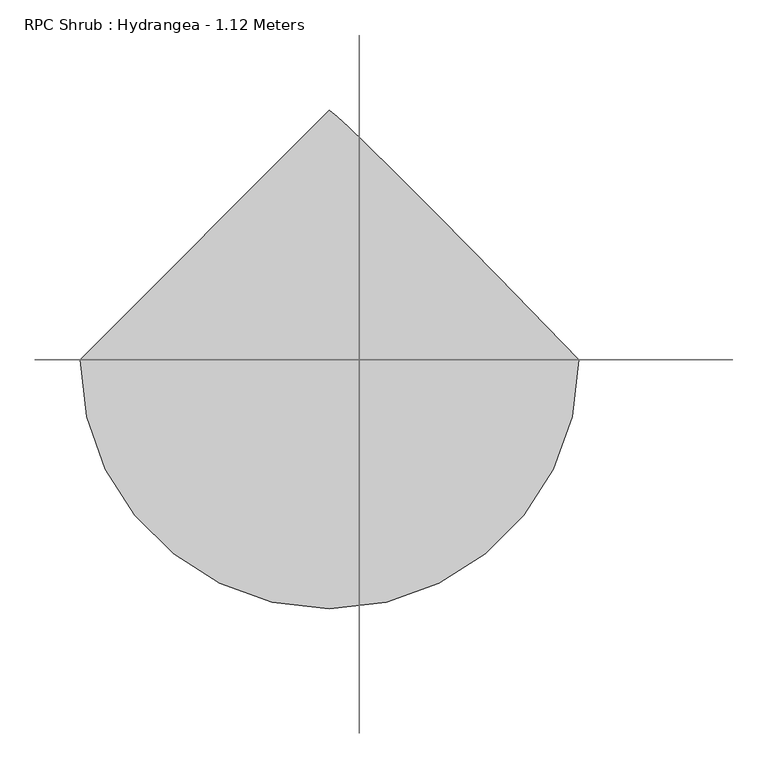
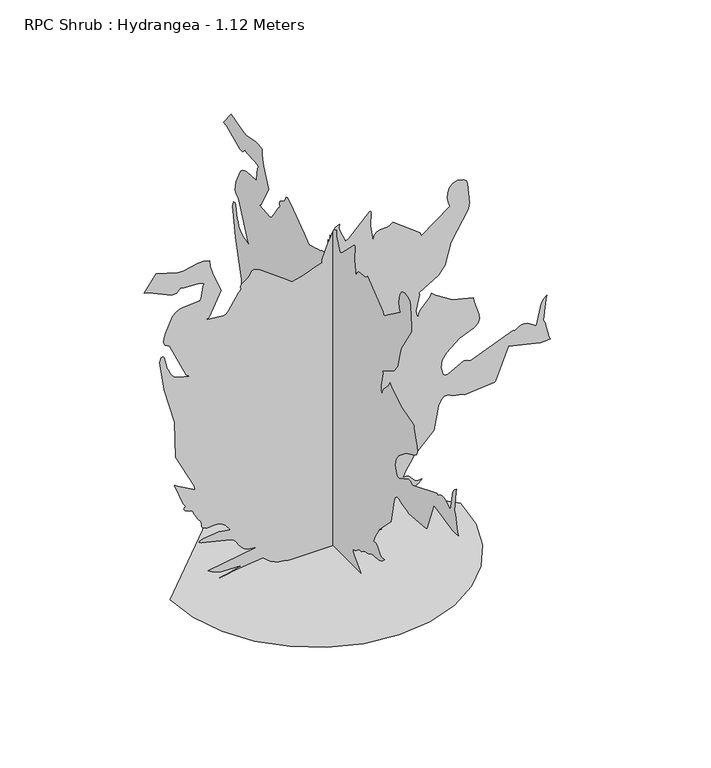
"""IFC4 building model written with IfcOpenShell, lengths in millimetres: geographic element geometry, RPC Shrub : Hydrangea - 1.12 Meters."""

from ifc_helpers import new_model, si_unit, origin, place, context, project, spatial, triangles, source, transform, mapped, element, save


def rpc_shrub_hydrangea_1_12_meters_f2bedae6(model_context):
    return source(origin(), model_context, "Body", "Tessellation", [
        triangles([(-540.6204168, 0.0, 3.52e-05), (-526.3263039, -123.8741976, 3.52e-05), (-485.6244641, -237.6331877, 3.52e-05), (-421.7677877, -338.0181396, 3.52e-05), (-338.0181396, -421.7677877, 3.52e-05), (-237.632897, -485.6244641, 3.52e-05), (-123.8741976, -526.3263039, 3.52e-05), (2.36e-05, -540.6204168, 3.52e-05), (123.8744883, -526.3263039, 3.52e-05), (237.6331877, -485.6244641, 3.52e-05), (338.0181396, -421.7677877, 3.52e-05), (421.7677877, -338.0181396, 3.52e-05), (485.6244641, -237.632897, 3.52e-05), (526.3263039, -123.8741976, 3.52e-05), (540.6204168, 4.73e-05, 3.52e-05), (364.9311044, 180.2144905, 3.52e-05), (234.6827864, 312.8985609, 3.52e-05), (142.3040774, 405.9727489, 3.52e-05), (80.2201398, 467.3623884, 3.52e-05), (40.8572763, 504.9826575, 3.52e-05), (16.6416748, 526.7635955, 3.52e-05), (-7.09e-05, 540.6204168, 3.52e-05), (65.1732158, -439.4300817, 1040.6778299), (65.1732158, -505.839473, 1149.2781778), (65.1732158, -508.3508386, 1172.3709543), (65.1732158, -502.1492549, 1249.3753384), (65.1732158, -497.3510376, 1261.5421829), (65.1732158, -488.8005784, 1269.5874767), (65.1732158, -464.4373853, 1274.9144772), (65.1732158, -446.7750913, 1269.5076851), (65.1732158, -435.1755086, 1256.262418), (65.1732158, -429.0034653, 1238.0654182), (65.1732158, -427.617794, 1217.8119307), (65.1732158, -430.3832502, 1198.3886976), (65.1732158, -436.6616461, 1182.6882751), (65.1732158, -330.2122207, 1104.4813482), (65.1732158, -323.8953824, 1117.6497305), (65.1732158, -223.3544445, 1195.1800999), (65.1732158, -213.4629152, 1185.7728252), (65.1732158, -201.6021748, 1182.4873426), (65.1732158, -176.2166967, 1181.9082355), (65.1732158, -164.8153759, 1178.4189137), (65.1732158, -155.6884802, 1168.6689274), (65.1732158, -149.8984539, 1149.558902), (65.1732158, -139.9111911, 1207.4237566), (65.1732158, -141.8632612, 1265.1851292), (65.1732158, -141.1299394, 1266.5944908), (65.1732158, -139.9575818, 1267.0376324), (65.1732158, -138.5311245, 1266.7037865), (65.1732158, -137.0375929, 1265.7849472), (65.1732158, -59.3438886, 1189.412792), (65.1732158, -46.7072826, 1181.0603222), (65.1732158, -24.8836851, 1232.5462784), (65.1732158, -23.1515211, 1243.4367474), (65.1732158, -23.897072, 1256.5519352), (65.1732158, -10.6973292, 1249.8155731), (65.1732158, -0.6288019, 1237.3385731), (65.1732158, 15.357746, 1200.1909859), (65.1732158, 17.4707212, 1199.4789654), (65.1732158, 18.7374839, 1210.3871658), (65.1732158, 18.4124537, 1198.2233007), (65.1732158, 40.6339115, 1140.1427616), (65.1732158, 40.3092084, 1127.9788965), (65.1732158, 54.5563402, 1123.2604345), (65.1732158, 69.6218814, 1117.8181795), (65.1732158, 85.366083, 1112.0272539), (65.1732158, 101.6512626, 1106.265905), (65.1732158, 118.3379621, 1100.9122347), (65.1732158, 135.2882084, 1096.338604), (65.1732158, 152.3631382, 1092.9231148), (65.1732158, 184.752095, 1118.1816021), (65.1732158, 272.5438475, 1181.3084902), (65.1732158, 293.760176, 1190.8250605), (65.1732158, 303.2431001, 1186.9664297), (65.1732158, 307.6483363, 1173.4375317), (65.1732158, 315.1794537, 1164.8782431), (65.1732158, 339.8706428, 1148.908869), (65.1732158, 343.2447464, 1140.1072987), (65.1732158, 341.4129178, 1126.2061123), (65.1732158, 350.7729206, 1117.7945618), (65.1732158, 388.0209377, 1060.6239962), (65.1732158, 397.7650377, 1051.0453657), (65.1732158, 407.8755034, 1047.5915068), (65.1732158, 471.4219153, 1054.5139767), (65.1732158, 461.8994225, 1061.2149485), (65.1732158, 415.616419, 1151.0538689), (65.1732158, 445.9537024, 1222.8169304), (65.1732158, 456.9889664, 1260.0678543), (65.1732158, 458.3864465, 1282.6228729), (65.1732158, 481.3374075, 1288.2158455), (65.1732158, 501.6351511, 1287.5510605), (65.1732158, 557.2840799, 1274.9883099), (65.1732158, 577.6438837, 1276.2735512), (65.1732158, 658.2498648, 1300.0016087), (65.1732158, 703.8740421, 1239.1733448), (65.1732158, 686.8026278, 1236.7269825), (65.1732158, 600.1723051, 1196.0723419), (65.1732158, 581.484783, 1198.1493954), (65.1732158, 567.0075053, 1213.1053139), (65.1732158, 554.7343082, 1208.9275892), (65.1732158, 501.6706141, 1207.2169378), (65.1732158, 490.0385479, 1204.6907839), (65.1732158, 480.1112469, 1198.9825567), (65.1732158, 484.3717063, 1190.9935095), (65.1732158, 491.0549103, 1145.059104), (65.1732158, 495.3183128, 1137.0670773), (65.1732158, 556.2293115, 1133.8318096), (65.1732158, 570.6622968, 1130.3454672), (65.1732158, 584.1793496, 1123.3638439), (65.1732158, 596.4732213, 1111.6785833), (65.1732158, 623.9475981, 1054.2716949), (65.1732158, 629.014658, 1035.7496424), (65.1732158, 629.8153358, 1019.4346498), (65.1732158, 624.5798269, 1007.2648258), (65.1732158, 608.8705024, 997.3021345), (65.1732158, 547.0849932, 864.2322046), (65.1732158, 534.0820078, 854.174897), (65.1732158, 576.3438904, 864.2735538), (65.1732158, 588.8947958, 869.8576607), (65.1732158, 599.4395737, 877.9028818), (65.1732158, 607.2366268, 889.2188335), (65.1732158, 611.5443581, 904.6178936), (65.1732158, 617.8345991, 912.807946), (65.1732158, 627.9273697, 959.7114058), (65.1732158, 632.5866783, 965.3221098), (65.1732158, 640.4635231, 964.6307276), (65.1732158, 646.3282814, 946.0436354), (65.1732158, 629.0766455, 833.5107513), (65.1732158, 590.2568493, 691.7190428), (65.1732158, 585.2015983, 553.4963387), (65.1732158, 516.52018, 417.6432212), (65.1732158, 513.0958614, 400.1434536), (65.1732158, 578.4622931, 435.9259715), (65.1732158, 588.7323057, 444.0569069), (65.1732158, 590.1091112, 441.8764441), (65.1732158, 557.5765766, 359.8522356), (65.1732158, 548.541554, 346.8404208), (65.1732158, 554.6722481, 341.2976995), (65.1732158, 554.6574961, 335.90268), (65.1732158, 550.2640869, 330.9508384), (65.1732158, 535.4115415, 323.5999426), (65.1732158, 528.4801695, 321.8006338), (65.1732158, 524.2374415, 321.6558389), (65.1732158, 521.084945, 315.0435608), (65.1732158, 518.1422104, 308.6853733), (65.1732158, 515.1965326, 302.4069593), (65.1732158, 512.0322272, 296.0340016), (65.1732158, 508.4394596, 289.3939455), (65.1732158, 504.2085769, 282.3092216), (65.1732158, 499.1208424, 274.6076024), (65.1732158, 493.123098, 269.1862945), (65.1732158, 490.0030849, 263.515347), (65.1732158, 488.8124236, 257.8358063), (65.1732158, 488.608548, 252.3885007), (65.1732158, 488.4430784, 247.4142222), (65.1732158, 487.3735579, 243.1537628), (65.1732158, 484.4544411, 239.8482233), (65.1732158, 470.340586, 233.9562683), (65.1732158, 457.1159935, 233.5795471), (65.1732158, 444.0893904, 235.3460817), (65.1732158, 430.5752807, 235.8835125), (65.1732158, 415.8763959, 231.8198253), (65.1732158, 399.3073128, 219.7826966), (65.1732158, 380.1795559, 196.3995127), (65.1732158, 423.0973214, 203.3497971), (65.1732158, 483.0155754, 196.5351149), (65.1732158, 494.0862659, 192.1384538), (65.1732158, 497.4899099, 187.7095817), (65.1732158, 491.5749003, 184.2309059), (65.1732158, 380.1795559, 157.2954679), (65.1732158, 368.0009025, 149.5238129), (65.1732158, 358.7413296, 138.6017325), (65.1732158, 350.3592831, 126.1740118), (65.1732158, 340.8013272, 113.8848636), (65.1732158, 328.0169695, 103.3790823), (65.1732158, 309.964692, 96.3008625), (65.1732158, 284.5907321, 94.2944351), (65.1732158, 464.9041809, 63.8803032), (65.1732158, 450.3146281, 54.0298371), (65.1732158, 417.1882344, 43.5373498), (65.1732158, 338.9015522, 42.1558026), (65.1732158, 393.0643435, 27.8340977), (65.1732158, 406.4455035, 24.7944577), (65.1732158, 421.4546165, 21.517566), (65.1732158, 413.6723153, 22.630014), (65.1732158, 393.7822866, 26.1255106), (65.1732158, 365.997718, 30.9976515), (65.1732158, 260.2452523, 44.1276662), (65.1732158, 246.0725708, 30.42181), (65.1732158, 231.2171004, 20.1321787), (65.1732158, 215.7928784, 12.6894632), (65.1732158, 199.9136514, 7.5241728), (65.1732158, 183.6928755, 4.0672617), (65.1732158, 167.2449151, 1.7489424), (65.1732158, 150.6828901, 0.0), (65.1732158, -181.8099418, 9.9e-06), (65.1732158, -176.4167208, 8.01383), (65.1732158, -135.2876179, 45.2725546), (65.1732158, -129.6925924, 55.0562461), (65.1732158, -129.8033869, 64.6948747), (65.1732158, -138.8147555, 66.1612141), (65.1732158, -145.6616304, 69.2516732), (65.1732158, -151.4540276, 73.420246), (65.1732158, -157.3022625, 78.1206404), (65.1732158, -164.3172413, 82.8065553), (65.1732158, -173.6084075, 86.9316941), (65.1732158, -186.2869759, 89.9497694), (65.1732158, -196.5413282, 97.6537504), (65.1732158, -205.3473677, 101.8433021), (65.1732158, -228.8700053, 107.3836707), (65.1732158, -237.675736, 111.5732224), (65.1732158, -247.9300883, 119.2775032), (65.1732158, -295.9305923, 123.9613561), (65.1732158, -308.6440241, 128.014697), (65.1732158, -320.7990234, 135.2562972), (65.1732158, -331.9760665, 146.7048807), (65.1732158, -314.9135542, 146.2368769), (65.1732158, -303.6419493, 150.6935271), (65.1732158, -283.8925734, 173.6113688), (65.1732158, -275.1086982, 177.7669473), (65.1732158, -261.7795518, 176.8474903), (65.1732158, -272.8765307, 200.8422648), (65.1732158, -286.4024674, 224.8119318), (65.1732158, -301.9401455, 248.1159418), (65.1732158, -375.8334186, 321.856735), (65.1732158, -393.2297768, 412.5111943), (65.1732158, -402.0107088, 431.5650822), (65.1732158, -414.3755064, 442.9400783), (65.1732158, -431.2311999, 443.5162059), (65.1732158, -437.5657697, 438.0562194), (65.1732158, -445.4514439, 434.9421289), (65.1732158, -482.0701389, 428.1555156), (65.1732158, -489.8849236, 423.4193584), (65.1732158, -601.0114254, 432.8148242), (65.1732158, -606.1109688, 435.3675754), (65.1732158, -653.29508, 555.6324729), (65.1732158, -771.5715815, 528.9794849), (65.1732158, -794.4722912, 528.4004142), (65.1732158, -810.3205244, 530.9561085), (65.1732158, -804.3168938, 540.8479102), (65.1732158, -790.2561968, 603.6173347), (65.1732158, -784.2525661, 613.5091364), (65.1732158, -792.8975327, 692.0174257), (65.1732158, -797.288035, 705.8388205), (65.1732158, -785.1152315, 695.2880836), (65.1732158, -776.3609694, 682.9233587), (65.1732158, -758.1845352, 600.4736675), (65.1732158, -725.2856712, 621.1495857), (65.1732158, -714.170652, 623.8412092), (65.1732158, -702.6774582, 623.2266392), (65.1732158, -690.6170025, 618.5761963), (65.1732158, -677.8031044, 609.1629991), (65.1732158, -671.7108164, 613.355512), (65.1732158, -512.2863178, 549.0290606), (65.1732158, -499.9008456, 555.7861336), (65.1732158, -488.573085, 557.2308855), (65.1732158, -427.9812166, 525.312921), (65.1732158, -417.0434758, 523.8947299), (65.1732158, -410.9984596, 531.4997163), (65.1732158, -402.2323159, 559.8929323), (65.1732158, -407.2018527, 586.4602424), (65.1732158, -422.6954927, 610.6904858), (65.1732158, -472.4176031, 650.1396767), (65.1732158, -525.7206359, 674.2132799), (65.1732158, -541.0872488, 685.1510571), (65.1732158, -546.2872584, 701.4188141), (65.1732158, -544.2810946, 720.9868057), (65.1732158, -524.7131392, 779.1855062), (65.1732158, -523.5579045, 791.6507338), (65.1732158, -445.5193903, 812.3857327), (65.1732158, -383.0720392, 851.1464481), (65.1732158, -368.2283958, 864.9708223), (65.1732158, -362.3547718, 851.0253799), (65.1732158, -326.5042711, 814.2884508), (65.1732158, -320.1726445, 802.7066723), (65.1732158, -317.1767518, 787.3045601), (65.1732158, -310.5437991, 801.4982431), (65.1732158, -309.2674235, 817.2253355), (65.1732158, -322.3058355, 875.0664997), (65.1732158, -321.2510671, 883.1649153), (65.1732158, -393.2120816, 926.3397509), (65.1732158, -417.4009758, 957.8264191), (504.6015035, 6.11e-05, 1040.6778299), (571.010931, 7.23e-05, 1149.2781778), (573.5252398, 7.43e-05, 1172.3709543), (567.3236561, 8.06e-05, 1249.3753384), (562.5254388, 8.15e-05, 1261.5421829), (553.9720365, 8.19e-05, 1269.5874767), (529.608807, 8.17e-05, 1274.9144772), (511.946513, 8.06e-05, 1269.5076851), (500.3499098, 7.92e-05, 1256.262418), (494.1749233, 7.74e-05, 1238.0654182), (492.7921952, 7.57e-05, 1217.8119307), (495.5576514, 7.41e-05, 1198.3886976), (501.8360473, 7.3e-05, 1182.6882751), (395.3836424, 6.32e-05, 1104.4813482), (389.0668405, 6.42e-05, 1117.6497305), (288.5273741, 6.77e-05, 1195.1800999), (278.6361355, 6.66e-05, 1185.7728252), (266.7753951, 6.6e-05, 1182.4873426), (241.3898988, 6.52e-05, 1181.9082355), (229.9883055, 6.45e-05, 1178.4189137), (220.8617005, 6.34e-05, 1168.6689274), (215.0713745, 6.17e-05, 1149.558902), (205.0841025, 6.58e-05, 1207.4237566), (207.0361818, 7.11e-05, 1265.1851292), (206.3031597, 7.1e-05, 1266.5944908), (205.1305023, 7.09e-05, 1267.0376324), (203.7040451, 7.08e-05, 1266.7037865), (202.2108041, 7.07e-05, 1265.7849472), (124.5171089, 6.23e-05, 1189.412792), (111.8804983, 6.13e-05, 1181.0603222), (90.0567214, 6.5e-05, 1232.5462784), (88.3247686, 6.58e-05, 1243.4367474), (89.0701992, 6.69e-05, 1256.5519352), (75.8704553, 6.6e-05, 1249.8155731), (65.8019428, 6.45e-05, 1237.3385731), (49.8154686, 6.09e-05, 1200.1909859), (47.7023754, 6.08e-05, 1199.4789654), (46.4357603, 6.18e-05, 1210.3871658), (46.7607631, 6.07e-05, 1198.2233007), (24.5391249, 5.52e-05, 1140.1427616), (24.8640074, 5.42e-05, 1127.9788965), (10.6166405, 5.34e-05, 1123.2604345), (-4.4486349, 5.24e-05, 1117.8181795), (-20.192924, 5.15e-05, 1112.0272539), (-36.4780446, 5.05e-05, 1106.265905), (-53.1647463, 4.95e-05, 1100.9122347), (-70.1149926, 4.86e-05, 1096.338604), (-87.1899269, 4.78e-05, 1092.9231148), (-119.5788747, 4.9e-05, 1118.1816021), (-207.3706454, 5.17e-05, 1181.3084902), (-228.5869557, 5.19e-05, 1190.8250605), (-238.0698798, 5.14e-05, 1186.9664297), (-242.4745165, 5e-05, 1173.4375317), (-250.0062515, 4.91e-05, 1164.8782431), (-274.6968229, 4.71e-05, 1148.908869), (-278.0715261, 4.62e-05, 1140.1072987), (-276.2405877, 4.51e-05, 1126.2061123), (-285.5991189, 4.41e-05, 1117.7945618), (-322.8465365, 3.82e-05, 1060.6239962), (-332.5935797, 3.71e-05, 1051.0453657), (-342.7040454, 3.65e-05, 1047.5915068), (-406.2475505, 3.52e-05, 1054.5139767), (-396.7279644, 3.6e-05, 1061.2149485), (-350.4420178, 4.49e-05, 1151.0538689), (-380.7793376, 5.01e-05, 1222.8169304), (-391.8145652, 5.29e-05, 1260.0678543), (-393.2120816, 5.48e-05, 1282.6228729), (-416.1630063, 5.46e-05, 1288.2158455), (-436.463693, 5.39e-05, 1287.5510605), (-492.1126219, 5.12e-05, 1274.9883099), (-512.4694825, 5.07e-05, 1276.2735512), (-593.0784431, 5.03e-05, 1300.0016087), (-638.6996046, 4.38e-05, 1239.1733448), (-621.6311697, 4.41e-05, 1236.7269825), (-535.0008834, 4.33e-05, 1196.0723419), (-516.3133613, 4.4e-05, 1198.1493954), (-501.8360473, 4.57e-05, 1213.1053139), (-489.5628502, 4.57e-05, 1208.9275892), (-436.4962129, 4.71e-05, 1207.2169378), (-424.8641467, 4.73e-05, 1204.6907839), (-414.936882, 4.71e-05, 1198.9825567), (-419.2002846, 4.63e-05, 1190.9935095), (-425.8834522, 4.22e-05, 1145.059104), (-430.1439116, 4.14e-05, 1137.0670773), (-491.0578534, 3.93e-05, 1133.8318096), (-505.4908387, 3.86e-05, 1130.3454672), (-519.0049484, 3.76e-05, 1123.3638439), (-531.2988201, 3.63e-05, 1111.6785833), (-558.7731606, 3.06e-05, 1054.2716949), (-563.8402205, 2.88e-05, 1035.7496424), (-564.6408983, 2.75e-05, 1019.4346498), (-559.4054621, 2.66e-05, 1007.2648258), (-543.6990807, 2.62e-05, 997.3021345), (-481.910592, 1.68e-05, 864.2322046), (-468.9105497, 1.64e-05, 854.174897), (-511.1694892, 1.6e-05, 864.2735538), (-523.7203946, 1.61e-05, 869.8576607), (-534.2651725, 1.65e-05, 877.9028818), (-542.062262, 1.72e-05, 889.2188335), (-546.3699932, 1.84e-05, 904.6178936), (-552.6601979, 1.89e-05, 912.807946), (-562.7529685, 2.25e-05, 959.7114058), (-567.4122771, 2.28e-05, 965.3221098), (-575.292065, 2.25e-05, 964.6307276), (-581.1568233, 2.08e-05, 946.0436354), (-563.9022806, 1.18e-05, 833.5107513), (-525.0853912, 1e-06, 691.7190428), (-520.0301765, -1.05e-05, 553.4963387), (-451.348722, -1.99e-05, 417.6432212), (-447.9214602, -2.13e-05, 400.1434536), (-513.290835, -2.02e-05, 435.9259715), (-523.5608477, -1.98e-05, 444.0569069), (-524.9376895, -2.02e-05, 441.8764441), (-492.4021754, -2.6e-05, 359.8522356), (-483.3701323, -2.68e-05, 346.8404208), (-489.4978469, -2.75e-05, 341.2976995), (-489.4830949, -2.78e-05, 335.90268), (-485.0926289, -2.8e-05, 330.9508384), (-470.2371766, -2.82e-05, 323.5999426), (-463.3087478, -2.82e-05, 321.8006338), (-459.0660198, -2.82e-05, 321.6558389), (-455.913487, -2.86e-05, 315.0435608), (-452.9678092, -2.91e-05, 308.6853733), (-450.0221314, -2.96e-05, 302.4069593), (-446.857826, -3e-05, 296.0340016), (-443.2680379, -3.04e-05, 289.3939455), (-439.0341757, -3.09e-05, 282.3092216), (-433.9464412, -3.14e-05, 274.6076024), (-427.9516399, -3.17e-05, 269.1862945), (-424.8286838, -3.2e-05, 263.515347), (-423.6380224, -3.26e-05, 257.8358063), (-423.4341468, -3.3e-05, 252.3885007), (-423.2686772, -3.34e-05, 247.4142222), (-422.1991568, -3.37e-05, 243.1537628), (-419.2830194, -3.39e-05, 239.8482233), (-405.1691279, -3.4e-05, 233.9562683), (-391.9415923, -3.37e-05, 233.5795471), (-378.9179687, -3.31e-05, 235.3460817), (-365.4008795, -3.26e-05, 235.8835125), (-350.7049742, -3.26e-05, 231.8198253), (-334.1358547, -3.31e-05, 219.7826966), (-315.0051547, -3.45e-05, 196.3995127), (-357.9229202, -3.49e-05, 203.3497971), (-417.8441537, -3.69e-05, 196.5351149), (-428.9118648, -3.77e-05, 192.1384538), (-432.3155087, -3.87e-05, 187.7095817), (-426.4004992, -3.85e-05, 184.2309059), (-315.0051547, -3.77e-05, 157.2954679), (-302.8265013, -3.8e-05, 149.5238129), (-293.5693083, -3.87e-05, 138.6017325), (-285.1854814, -3.95e-05, 126.1740118), (-275.626926, -4.03e-05, 113.8848636), (-262.8443669, -4.08e-05, 103.3790823), (-244.7908904, -4.08e-05, 96.3008625), (-219.4175118, -4.02e-05, 94.2944351), (-399.7298161, -4.81e-05, 63.8803032), (-385.1402269, -4.83e-05, 54.0298371), (-352.0138332, -4.81e-05, 43.5373498), (-273.7283319, -4.63e-05, 42.1558026), (-327.8928855, -4.9e-05, 27.8341273), (-341.2740455, -4.97e-05, 24.7944872), (-356.2802153, -5.04e-05, 21.5175956), (-348.4979141, -5.01e-05, 22.6300436), (-328.6078855, -4.92e-05, 26.1255401), (-300.8262782, -4.8e-05, 30.9976515), (-195.0723227, -4.37e-05, 44.1276662), (-180.8993505, -4.44e-05, 30.42181), (-166.0438801, -4.49e-05, 20.1321787), (-150.6196581, -4.51e-05, 12.6894928), (-134.7404311, -4.5e-05, 7.5241728), (-118.5196643, -4.48e-05, 4.0672913), (-102.0716948, -4.45e-05, 1.7489542), (-85.5099695, -4.42e-05, 1.08e-05), (246.9828714, -3.43e-05, 6.1e-06), (241.589923, -3.37e-05, 8.01383), (200.4608382, -3.18e-05, 45.2725546), (194.8657946, -3.12e-05, 55.0562461), (194.9763074, -3.04e-05, 64.6948747), (203.9879667, -3e-05, 66.1612141), (210.834551, -2.95e-05, 69.2516732), (216.6269481, -2.9e-05, 73.420246), (222.475174, -2.84e-05, 78.1206404), (229.4904616, -2.78e-05, 82.8065553), (238.7816278, -2.72e-05, 86.9316941), (251.4598874, -2.66e-05, 89.9497694), (261.7142396, -2.56e-05, 97.6537504), (270.5202792, -2.5e-05, 101.8433021), (294.0429168, -2.38e-05, 107.3836707), (302.8501372, -2.32e-05, 111.5732224), (313.1024365, -2.22e-05, 119.2775032), (361.102014, -2.04e-05, 123.9613561), (373.8183889, -1.97e-05, 128.0144063), (385.9734246, -1.87e-05, 135.2562972), (397.1504677, -1.74e-05, 146.7048807), (380.0879554, -1.8e-05, 146.2368769), (368.8133892, -1.79e-05, 150.6935271), (349.0652123, -1.66e-05, 173.6113688), (340.2813372, -1.65e-05, 177.7669473), (326.9533353, -1.7e-05, 176.8474903), (338.050623, -1.46e-05, 200.8422648), (351.5765779, -1.22e-05, 224.8119318), (367.1115672, -9.8e-06, 248.1159418), (441.0048403, -1.4e-06, 321.856735), (458.4012348, 6.8e-06, 412.5111943), (467.1821669, 8.7e-06, 431.5650822), (479.5469281, 1e-05, 442.9400783), (496.402658, 1.06e-05, 443.5162059), (502.7371914, 1.03e-05, 438.0562194), (510.6229019, 1.03e-05, 434.9421289), (547.2445401, 1.08e-05, 428.1555156), (555.0593247, 1.06e-05, 423.4193584), (666.1857903, 1.46e-05, 432.8148242), (671.2853336, 1.51e-05, 435.3675754), (718.466538, 2.66e-05, 555.6324729), (836.7430395, 2.79e-05, 528.9794849), (859.6437492, 2.86e-05, 528.4004142), (875.4948893, 2.92e-05, 530.9561085), (869.4912586, 2.99e-05, 540.8479102), (855.4305616, 3.47e-05, 603.6173347), (849.426931, 3.54e-05, 613.5091364), (858.0719702, 4.22e-05, 692.0174257), (862.4594204, 4.36e-05, 705.8388205), (850.289669, 4.23e-05, 695.2880836), (841.5353342, 4.1e-05, 682.9233587), (823.3559933, 3.35e-05, 600.4736675), (790.4570566, 3.43e-05, 621.1495857), (779.3450169, 3.42e-05, 623.8412092), (767.851823, 3.38e-05, 623.2266392), (755.7883879, 3.31e-05, 618.5761963), (742.9745625, 3.18e-05, 609.1629991), (736.8822744, 3.2e-05, 613.355512), (577.4577395, 2.19e-05, 549.0290606), (565.0722673, 2.21e-05, 555.7861336), (553.7474862, 2.19e-05, 557.2308855), (493.1555815, 1.73e-05, 525.312921), (482.2148975, 1.69e-05, 523.8947299), (476.1728608, 1.73e-05, 531.4997163), (467.4067171, 2e-05, 559.8929323), (472.3762539, 2.26e-05, 586.4602424), (487.8698939, 2.51e-05, 610.6904858), (537.5920043, 2.94e-05, 650.1396767), (590.8920939, 3.28e-05, 674.2132799), (606.26165, 3.42e-05, 685.1510571), (611.4586802, 3.57e-05, 701.4188141), (609.4554957, 3.73e-05, 720.9868057), (589.884561, 4.17e-05, 779.1855062), (588.7323057, 4.26e-05, 791.6507338), (510.6908484, 4.21e-05, 812.3857327), (448.2434973, 4.35e-05, 851.1464481), (433.402797, 4.42e-05, 864.9708223), (427.5261935, 4.28e-05, 851.0253799), (391.6786723, 3.87e-05, 814.2884508), (385.3441026, 3.75e-05, 802.7066723), (382.351153, 3.61e-05, 787.3045601), (375.718164, 3.71e-05, 801.4982431), (374.4388453, 3.84e-05, 817.2253355), (387.4772936, 4.37e-05, 875.0664997), (386.4225251, 4.44e-05, 883.1649153), (458.3864465, 5.01e-05, 926.3397509), (482.5753407, 5.35e-05, 957.8264191)], [[21, 22, 1], [20, 21, 1], [19, 20, 1], [18, 19, 1], [17, 18, 1], [17, 1, 2], [17, 2, 3], [17, 3, 4], [16, 17, 4], [16, 4, 5], [16, 5, 6], [16, 6, 7], [16, 7, 8], [16, 8, 9], [16, 9, 10], [16, 10, 11], [16, 11, 12], [15, 16, 12], [14, 15, 12], [13, 14, 12], [183, 184, 185], [59, 60, 61], [183, 185, 186], [182, 183, 186], [243, 244, 245], [177, 178, 179], [215, 216, 217], [195, 196, 197], [195, 197, 198], [182, 186, 187], [181, 182, 187], [181, 187, 188], [54, 55, 56], [94, 95, 96], [238, 239, 240], [195, 198, 199], [271, 272, 273], [167, 168, 169], [133, 134, 135], [214, 215, 217], [214, 217, 218], [177, 179, 180], [177, 180, 181], [166, 167, 169], [165, 166, 169], [164, 165, 169], [164, 169, 170], [37, 38, 39], [213, 214, 218], [94, 96, 97], [93, 94, 97], [93, 97, 98], [93, 98, 99], [92, 93, 99], [92, 99, 100], [92, 100, 101], [91, 92, 101], [90, 91, 101], [90, 101, 102], [89, 90, 102], [88, 89, 102], [87, 88, 102], [87, 102, 103], [195, 199, 200], [54, 56, 57], [53, 54, 57], [243, 245, 246], [242, 243, 246], [242, 246, 247], [241, 242, 247], [268, 269, 270], [87, 103, 104], [86, 87, 104], [86, 104, 105], [86, 105, 106], [85, 86, 106], [84, 85, 106], [133, 135, 136], [132, 133, 136], [132, 136, 137], [53, 57, 58], [125, 126, 127], [124, 125, 127], [123, 124, 127], [123, 127, 128], [122, 123, 128], [121, 122, 128], [120, 121, 128], [119, 120, 128], [52, 53, 58], [177, 181, 188], [118, 119, 128], [213, 218, 219], [213, 219, 220], [213, 220, 221], [212, 213, 221], [117, 118, 128], [164, 170, 171], [237, 238, 240], [237, 240, 241], [237, 241, 247], [237, 247, 248], [237, 248, 249], [237, 249, 250], [237, 250, 251], [237, 251, 252], [236, 237, 252], [236, 252, 253], [236, 253, 254], [235, 236, 254], [234, 235, 254], [233, 234, 254], [232, 233, 254], [232, 254, 255], [232, 255, 256], [232, 256, 257], [231, 232, 257], [230, 231, 257], [229, 230, 257], [229, 257, 258], [228, 229, 258], [84, 106, 107], [84, 107, 108], [84, 108, 109], [84, 109, 110], [84, 110, 111], [84, 111, 112], [84, 112, 113], [84, 113, 114], [84, 114, 115], [84, 115, 116], [84, 116, 117], [83, 84, 117], [270, 271, 273], [73, 74, 75], [72, 73, 75], [137, 138, 139], [137, 139, 140], [137, 140, 141], [132, 137, 141], [132, 141, 142], [132, 142, 143], [72, 75, 76], [227, 228, 258], [227, 258, 259], [117, 128, 129], [224, 225, 226], [46, 47, 48], [46, 48, 49], [46, 49, 50], [45, 46, 50], [45, 50, 51], [44, 45, 51], [44, 51, 52], [211, 212, 221], [210, 211, 221], [209, 210, 221], [82, 83, 117], [270, 273, 274], [270, 274, 275], [270, 275, 276], [264, 265, 266], [264, 266, 267], [264, 267, 268], [264, 268, 270], [263, 264, 270], [263, 270, 276], [262, 263, 276], [261, 262, 276], [52, 58, 59], [52, 59, 61], [52, 61, 62], [52, 62, 63], [44, 52, 63], [260, 261, 276], [71, 72, 76], [71, 76, 77], [71, 77, 78], [71, 78, 79], [71, 79, 80], [70, 71, 80], [70, 80, 81], [70, 81, 82], [70, 82, 117], [70, 117, 129], [70, 129, 130], [70, 130, 131], [69, 70, 131], [68, 69, 131], [67, 68, 131], [67, 131, 132], [66, 67, 132], [65, 66, 132], [64, 65, 132], [63, 64, 132], [44, 63, 132], [132, 143, 144], [44, 132, 144], [44, 144, 145], [44, 145, 146], [44, 146, 147], [44, 147, 148], [44, 148, 149], [44, 149, 150], [44, 150, 151], [44, 151, 152], [44, 152, 153], [44, 153, 154], [44, 154, 155], [44, 155, 156], [44, 156, 157], [44, 157, 158], [44, 158, 159], [44, 159, 160], [44, 160, 161], [44, 161, 162], [44, 162, 163], [44, 163, 164], [44, 164, 171], [44, 171, 172], [44, 172, 173], [44, 173, 174], [44, 174, 175], [44, 175, 176], [44, 176, 177], [44, 177, 188], [44, 188, 189], [44, 189, 190], [44, 190, 191], [44, 191, 192], [44, 192, 193], [44, 193, 194], [44, 194, 195], [44, 195, 200], [44, 200, 201], [44, 201, 202], [44, 202, 203], [44, 203, 204], [44, 204, 205], [44, 205, 206], [44, 206, 207], [44, 207, 208], [44, 208, 209], [44, 209, 221], [44, 221, 222], [44, 222, 223], [44, 223, 224], [44, 224, 226], [44, 226, 227], [44, 227, 259], [44, 259, 260], [43, 44, 260], [42, 43, 260], [29, 30, 31], [28, 29, 31], [28, 31, 32], [27, 28, 32], [26, 27, 32], [26, 32, 33], [26, 33, 34], [26, 34, 35], [25, 26, 35], [24, 25, 35], [23, 24, 35], [23, 35, 36], [282, 23, 36], [281, 282, 36], [280, 281, 36], [37, 39, 40], [280, 36, 37], [280, 37, 40], [280, 40, 41], [280, 41, 42], [279, 280, 42], [278, 279, 42], [277, 278, 42], [277, 42, 260], [277, 260, 276], [443, 444, 445], [319, 320, 321], [443, 445, 446], [442, 443, 446], [503, 504, 505], [437, 438, 439], [475, 476, 477], [455, 456, 457], [455, 457, 458], [442, 446, 447], [441, 442, 447], [441, 447, 448], [314, 315, 316], [354, 355, 356], [498, 499, 500], [455, 458, 459], [531, 532, 533], [427, 428, 429], [393, 394, 395], [474, 475, 477], [474, 477, 478], [437, 439, 440], [437, 440, 441], [426, 427, 429], [425, 426, 429], [424, 425, 429], [424, 429, 430], [297, 298, 299], [473, 474, 478], [354, 356, 357], [353, 354, 357], [353, 357, 358], [353, 358, 359], [352, 353, 359], [352, 359, 360], [352, 360, 361], [351, 352, 361], [350, 351, 361], [350, 361, 362], [349, 350, 362], [348, 349, 362], [347, 348, 362], [347, 362, 363], [455, 459, 460], [314, 316, 317], [313, 314, 317], [503, 505, 506], [502, 503, 506], [502, 506, 507], [501, 502, 507], [528, 529, 530], [347, 363, 364], [346, 347, 364], [346, 364, 365], [346, 365, 366], [345, 346, 366], [344, 345, 366], [393, 395, 396], [392, 393, 396], [392, 396, 397], [313, 317, 318], [385, 386, 387], [384, 385, 387], [383, 384, 387], [383, 387, 388], [382, 383, 388], [381, 382, 388], [380, 381, 388], [379, 380, 388], [312, 313, 318], [437, 441, 448], [378, 379, 388], [473, 478, 479], [473, 479, 480], [473, 480, 481], [472, 473, 481], [377, 378, 388], [424, 430, 431], [497, 498, 500], [497, 500, 501], [497, 501, 507], [497, 507, 508], [497, 508, 509], [497, 509, 510], [497, 510, 511], [497, 511, 512], [496, 497, 512], [496, 512, 513], [496, 513, 514], [495, 496, 514], [494, 495, 514], [493, 494, 514], [492, 493, 514], [492, 514, 515], [492, 515, 516], [492, 516, 517], [491, 492, 517], [490, 491, 517], [489, 490, 517], [489, 517, 518], [488, 489, 518], [344, 366, 367], [344, 367, 368], [344, 368, 369], [344, 369, 370], [344, 370, 371], [344, 371, 372], [344, 372, 373], [344, 373, 374], [344, 374, 375], [344, 375, 376], [344, 376, 377], [343, 344, 377], [530, 531, 533], [333, 334, 335], [332, 333, 335], [397, 398, 399], [397, 399, 400], [397, 400, 401], [392, 397, 401], [392, 401, 402], [392, 402, 403], [332, 335, 336], [487, 488, 518], [487, 518, 519], [377, 388, 389], [484, 485, 486], [306, 307, 308], [306, 308, 309], [306, 309, 310], [305, 306, 310], [305, 310, 311], [304, 305, 311], [304, 311, 312], [471, 472, 481], [470, 471, 481], [469, 470, 481], [342, 343, 377], [530, 533, 534], [530, 534, 535], [530, 535, 536], [524, 525, 526], [524, 526, 527], [524, 527, 528], [524, 528, 530], [523, 524, 530], [523, 530, 536], [522, 523, 536], [521, 522, 536], [312, 318, 319], [312, 319, 321], [312, 321, 322], [312, 322, 323], [304, 312, 323], [520, 521, 536], [331, 332, 336], [331, 336, 337], [331, 337, 338], [331, 338, 339], [331, 339, 340], [330, 331, 340], [330, 340, 341], [330, 341, 342], [330, 342, 377], [330, 377, 389], [330, 389, 390], [330, 390, 391], [329, 330, 391], [328, 329, 391], [327, 328, 391], [327, 391, 392], [326, 327, 392], [325, 326, 392], [324, 325, 392], [323, 324, 392], [304, 323, 392], [392, 403, 404], [304, 392, 404], [304, 404, 405], [304, 405, 406], [304, 406, 407], [304, 407, 408], [304, 408, 409], [304, 409, 410], [304, 410, 411], [304, 411, 412], [304, 412, 413], [304, 413, 414], [304, 414, 415], [304, 415, 416], [304, 416, 417], [304, 417, 418], [304, 418, 419], [304, 419, 420], [304, 420, 421], [304, 421, 422], [304, 422, 423], [304, 423, 424], [304, 424, 431], [304, 431, 432], [304, 432, 433], [304, 433, 434], [304, 434, 435], [304, 435, 436], [304, 436, 437], [304, 437, 448], [304, 448, 449], [304, 449, 450], [304, 450, 451], [304, 451, 452], [304, 452, 453], [304, 453, 454], [304, 454, 455], [304, 455, 460], [304, 460, 461], [304, 461, 462], [304, 462, 463], [304, 463, 464], [304, 464, 465], [304, 465, 466], [304, 466, 467], [304, 467, 468], [304, 468, 469], [304, 469, 481], [304, 481, 482], [304, 482, 483], [304, 483, 484], [304, 484, 486], [304, 486, 487], [304, 487, 519], [304, 519, 520], [303, 304, 520], [302, 303, 520], [289, 290, 291], [288, 289, 291], [288, 291, 292], [287, 288, 292], [286, 287, 292], [286, 292, 293], [286, 293, 294], [286, 294, 295], [285, 286, 295], [284, 285, 295], [283, 284, 295], [283, 295, 296], [542, 283, 296], [541, 542, 296], [540, 541, 296], [297, 299, 300], [540, 296, 297], [540, 297, 300], [540, 300, 301], [540, 301, 302], [539, 540, 302], [538, 539, 302], [537, 538, 302], [537, 302, 520], [537, 520, 536]], closed=False),
    ])


if __name__ == "__main__":
    model = new_model("IFC4")
    model_context = context("Model", 3, world=origin())
    ifc_project = project(units=[si_unit("LENGTHUNIT", "METRE", prefix="MILLI")], contexts=[model_context])
    site = spatial("IfcSite", under=ifc_project)
    building = spatial("IfcBuilding", under=site)
    placement = place(None, origin())
    rpc_shrub_hydrangea_1_12_meters_shape = rpc_shrub_hydrangea_1_12_meters_f2bedae6(model_context)
    element("IfcGeographicElement", 1, ObjectType="RPC Shrub : Hydrangea - 1.12 Meters", at=placement, inside=building, context=model_context, shape_type="MappedRepresentation", body=[
        mapped(rpc_shrub_hydrangea_1_12_meters_shape, transform((0.0, 0.0, 0.0), x_axis=(1.0, 0.0, 0.0), y_axis=(0.0, 1.0, 0.0), z_axis=(0.0, 0.0, 1.0))),
    ])
    save(model, "model.ifc")
